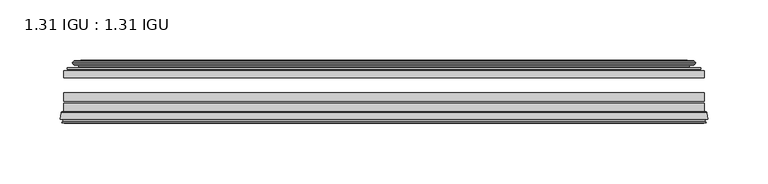
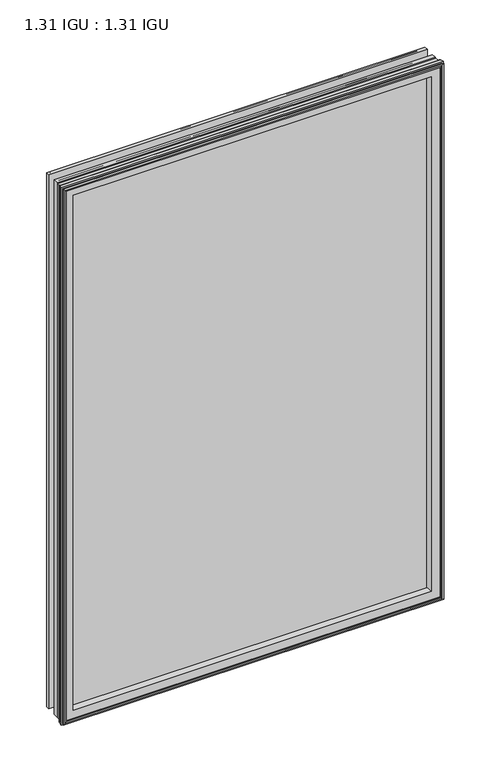
"""IFC4 building model written with IfcOpenShell, lengths in millimetres: plate geometry, 1.31 IGU : 1.31 IGU."""

from ifc_helpers import new_model, si_unit, frame, origin, place, context, project, spatial, polyline, ellipse_curve, outline, extrude, source, transform, mapped, element, save
from ifc_brep_helpers import plane_surface, cylinder_surface, revolved_surface, advanced_brep


def plate_1_31_igu_1_31_igu_04463f00(model_context):
    return source(origin(), model_context, "Body", "SolidModel", [
        extrude(outline(polyline([(265.1081075, -44.8960875), (265.1081075, -50.4332875), (-265.1130426, -50.4332875), (-265.1130426, -44.8960875), (265.1081075, -44.8960875)])), frame((0.0, 0.0, -14.2875), z_axis=(0.0, 0.0, 1.0), x_axis=(1.0, 0.0, 0.0)), (0.0, 0.0, 1.0), 790.47848),
        extrude(outline(polyline([(-265.1130426, -78.7796875), (-265.1130426, -71.7692875), (265.1081075, -71.7692875), (265.1081075, -78.7796875), (-265.1130426, -78.7796875)])), frame((0.0, 0.0, -14.2875), z_axis=(0.0, 0.0, 1.0), x_axis=(1.0, 0.0, 0.0)), (0.0, 0.0, 1.0), 790.47848),
        extrude(outline(polyline([(-265.1130426, -70.2452875), (-265.1130426, -63.1332875), (265.1081075, -63.1332875), (265.1081075, -70.2452875), (-265.1130426, -70.2452875)])), frame((0.0, 0.0, -14.2875), z_axis=(0.0, 0.0, 1.0), x_axis=(1.0, 0.0, 0.0)), (0.0, 0.0, 1.0), 790.47848),
        advanced_brep(
        [(-267.6599465, -85.1296875, 778.7378839), (-266.9651627, -79.4711276, 778.0431001), (-266.9651627, -79.4711276, -16.1396201), (-267.6599465, -85.1296875, -16.8344039), (-265.2723465, -87.1207518, 776.3502839), (-265.7295465, -85.1296875, 776.8074839), (-265.7295465, -85.1296875, -14.9040039), (-265.2723465, -87.1207518, -14.4468039), (-266.2737083, -86.8524376, 777.3516458), (-266.2737083, -86.8524376, -15.4481658), (-266.5169465, -87.7602147, 777.5948839), (-266.5169465, -87.7602147, -15.6914039), (-264.4849465, -88.3046875, 775.5628839), (-264.4849465, -88.3046875, -13.6594039), (-262.4529465, -87.7602147, 773.5308839), (-262.4529465, -87.7602147, -11.6274039), (-262.6961846, -86.8524376, 773.7741221), (-262.6961846, -86.8524376, -11.8706421), (-263.6975465, -87.1207518, 774.7754839), (-263.6975465, -87.1207518, -12.8720039), (-263.2403465, -85.1296875, 774.3182839), (-263.2403465, -85.1296875, -12.4148039), (-266.1836318, -78.7796875, 777.2615693), (-266.1836318, -78.7796875, -15.3580893), (266.9651627, -79.4711276, -16.1396201), (267.6599465, -85.1296875, -16.8344039), (265.7295465, -85.1296875, -14.9040039), (265.2723465, -87.1207518, -14.4468039), (266.2737083, -86.8524376, -15.4481658), (266.5169465, -87.7602147, -15.6914039), (264.4849465, -88.3046875, -13.6594039), (262.4529465, -87.7602147, -11.6274039), (262.6961846, -86.8524376, -11.8706421), (263.6975465, -87.1207518, -12.8720039), (263.2403465, -85.1296875, -12.4148039), (266.1836318, -78.7796875, -15.3580893), (266.9651627, -79.4711276, 778.0431001), (267.6599465, -85.1296875, 778.7378839), (265.7295465, -85.1296875, 776.8074839), (265.2723465, -87.1207518, 776.3502839), (266.2737083, -86.8524376, 777.3516458), (266.5169465, -87.7602147, 777.5948839), (264.4849465, -88.3046875, 775.5628839), (262.4529465, -87.7602147, 773.5308839), (262.6961846, -86.8524376, 773.7741221), (263.6975465, -87.1207518, 774.7754839), (263.2403465, -85.1296875, 774.3182839), (266.1836318, -78.7796875, 777.2615693), (-250.8377557, -85.1296875, 761.9156931), (250.8377557, -85.1296875, 761.9156931), (250.8377557, -85.1296875, -0.0122131), (-250.8377557, -85.1296875, -0.0122131), (-247.5214788, -78.7796875, 3.3040638), (247.5214788, -78.7796875, 3.3040638), (247.5214788, -78.7796875, 758.5994162), (-247.5214788, -78.7796875, 758.5994162)],
        [
            (0, 1),
            (1, 2),
            (2, 3),
            (3, 0),
            (4, 5),
            (5, 6),
            (6, 7),
            (7, 4),
            (8, 4),
            (7, 9),
            (9, 8),
            (10, 8),
            (9, 11),
            (11, 10),
            (12, 10),
            (11, 13),
            (13, 12),
            (14, 12),
            (13, 15),
            (15, 14),
            (16, 14),
            (15, 17),
            (17, 16),
            (18, 16),
            (17, 19),
            (19, 18),
            (20, 18),
            (19, 21),
            (21, 20),
            (1, 22, ellipse_curve(frame((-266.1836318, -79.5670875, 777.2615693), z_axis=(-0.7071067811865475, 0.0, -0.7071067811865475), x_axis=(-0.7071067811865474, 0.0, 0.7071067811865476)), 1.1135518, 0.7874)),
            (22, 23),
            (23, 2, ellipse_curve(frame((-266.1836318, -79.5670875, -15.3580893), z_axis=(-0.7071067811865475, 0.0, 0.7071067811865475), x_axis=(0.7071067811865474, 0.0, 0.7071067811865476)), 1.1135518, 0.7874)),
            (2, 24),
            (24, 25),
            (25, 3),
            (6, 26),
            (26, 27),
            (27, 7),
            (27, 28),
            (28, 9),
            (28, 29),
            (29, 11),
            (29, 30),
            (30, 13),
            (30, 31),
            (31, 15),
            (31, 32),
            (32, 17),
            (32, 33),
            (33, 19),
            (33, 34),
            (34, 21),
            (23, 35),
            (35, 24, ellipse_curve(frame((266.1836318, -79.5670875, -15.3580893), z_axis=(-0.7071067811865475, 0.0, -0.7071067811865475), x_axis=(-0.7071067811865476, 0.0, 0.7071067811865474)), 1.1135518, 0.7874)),
            (24, 36),
            (36, 37),
            (37, 25),
            (26, 38),
            (38, 39),
            (39, 27),
            (39, 40),
            (40, 28),
            (40, 41),
            (41, 29),
            (41, 42),
            (42, 30),
            (42, 43),
            (43, 31),
            (43, 44),
            (44, 32),
            (44, 45),
            (45, 33),
            (45, 46),
            (46, 34),
            (35, 47),
            (47, 36, ellipse_curve(frame((266.1836318, -79.5670875, 777.2615693), z_axis=(0.7071067811865475, 0.0, -0.7071067811865475), x_axis=(-0.7071067811865474, 0.0, -0.7071067811865476)), 1.1135518, 0.7874)),
            (36, 1),
            (0, 37),
            (5, 38),
            (4, 39),
            (8, 40),
            (10, 41),
            (12, 42),
            (14, 43),
            (16, 44),
            (18, 45),
            (20, 46),
            (48, 49),
            (49, 50),
            (50, 51),
            (51, 48),
            (22, 47),
            (52, 53),
            (53, 54),
            (54, 55),
            (55, 52),
            (55, 48, ellipse_curve(frame((-239.5884608, -86.963653, 750.6663982), z_axis=(0.7071067811865475, 0.0, 0.7071067811865475), x_axis=(0.7071067811865474, 0.0, -0.7071067811865476)), 16.118937, 11.3978097)),
            (51, 52, ellipse_curve(frame((-239.5884608, -86.963653, 11.2370818), z_axis=(0.7071067811865475, 0.0, -0.7071067811865475), x_axis=(-0.7071067811865474, 0.0, -0.7071067811865476)), 16.118937, 11.3978097)),
            (50, 53, ellipse_curve(frame((239.5884608, -86.963653, 11.2370818), z_axis=(0.7071067811865475, 0.0, 0.7071067811865475), x_axis=(0.7071067811865476, 0.0, -0.7071067811865474)), 16.118937, 11.3978097)),
            (49, 54, ellipse_curve(frame((239.5884608, -86.963653, 750.6663982), z_axis=(-0.7071067811865475, 0.0, 0.7071067811865475), x_axis=(0.7071067811865474, 0.0, 0.7071067811865476)), 16.118937, 11.3978097)),
        ],
        [
            plane_surface(frame((-266.9651627, -79.4711276, 778.0431001), z_axis=(-0.9925461516413008, 0.12186934340532067, 0.0), x_axis=(0.0, 0.0, -1.0))),
            plane_surface(frame((-265.7295465, -85.1296875, 776.8074839), z_axis=(-0.9746347637895997, -0.22380142361654332, 0.0), x_axis=(0.0, 0.0, -1.0))),
            plane_surface(frame((-265.2723465, -87.1207518, 776.3502839), z_axis=(0.25881904510266784, 0.9659258262890289, 0.0), x_axis=(0.0, 0.0, -1.0))),
            plane_surface(frame((-266.2737083, -86.8524376, 777.3516458), z_axis=(-0.9659258262890449, 0.2588190451026083, 0.0), x_axis=(0.0, 0.0, -1.0))),
            plane_surface(frame((-266.5169465, -87.7602147, 777.5948839), z_axis=(-0.2588190451025689, -0.9659258262890554, 0.0), x_axis=(0.0, 0.0, -1.0))),
            plane_surface(frame((-264.4849465, -88.3046875, 775.5628839), z_axis=(0.25881904510241466, -0.9659258262890968, 0.0), x_axis=(0.0, 0.0, -1.0))),
            plane_surface(frame((-262.4529465, -87.7602147, 773.5308839), z_axis=(0.9659258262890272, 0.25881904510267406, 0.0), x_axis=(0.0, 0.0, -1.0))),
            plane_surface(frame((-262.6961846, -86.8524376, 773.7741221), z_axis=(-0.25881904510234177, 0.9659258262891163, 0.0), x_axis=(0.0, 0.0, -1.0))),
            plane_surface(frame((-263.6975465, -87.1207518, 774.7754839), z_axis=(0.9746347637895936, -0.2238014236165695, 0.0), x_axis=(0.0, 0.0, -1.0))),
            cylinder_surface(frame((-266.1836318, -79.5670875, 793.65348), z_axis=(0.0, 0.0, 1.0), x_axis=(-1.0, 0.0, 0.0)), 0.7874),
            plane_surface(frame((-266.9651627, -79.4711276, -16.1396201), z_axis=(0.0, 0.12186934340531747, -0.9925461516413012), x_axis=(1.0, 0.0, 0.0))),
            plane_surface(frame((-265.7295465, -85.1296875, -14.9040039), z_axis=(0.0, -0.22380142361654648, -0.9746347637895989), x_axis=(1.0, 0.0, 0.0))),
            plane_surface(frame((-265.2723465, -87.1207518, -14.4468039), z_axis=(0.0, 0.9659258262890298, 0.25881904510266474), x_axis=(1.0, 0.0, 0.0))),
            plane_surface(frame((-266.2737083, -86.8524376, -15.4481658), z_axis=(0.0, 0.25881904510260517, -0.9659258262890458), x_axis=(1.0, 0.0, 0.0))),
            plane_surface(frame((-266.5169465, -87.7602147, -15.6914039), z_axis=(0.0, -0.9659258262890563, -0.2588190451025658), x_axis=(1.0, 0.0, 0.0))),
            plane_surface(frame((-264.4849465, -88.3046875, -13.6594039), z_axis=(0.0, -0.965925826289096, 0.25881904510241777), x_axis=(1.0, 0.0, 0.0))),
            plane_surface(frame((-262.4529465, -87.7602147, -11.6274039), z_axis=(0.0, 0.2588190451026772, 0.9659258262890265), x_axis=(1.0, 0.0, 0.0))),
            plane_surface(frame((-262.6961846, -86.8524376, -11.8706421), z_axis=(0.0, 0.9659258262891154, -0.2588190451023449), x_axis=(1.0, 0.0, 0.0))),
            plane_surface(frame((-263.6975465, -87.1207518, -12.8720039), z_axis=(0.0, -0.22380142361656633, 0.9746347637895943), x_axis=(1.0, 0.0, 0.0))),
            cylinder_surface(frame((-282.5755426, -79.5670875, -15.3580893), z_axis=(-1.0, 0.0, 0.0), x_axis=(0.0, 0.0, -1.0)), 0.7874),
            plane_surface(frame((266.9651627, -79.4711276, -16.1396201), z_axis=(0.9925461516413017, 0.12186934340531426, 0.0), x_axis=(0.0, 0.0, 1.0))),
            plane_surface(frame((265.7295465, -85.1296875, -14.9040039), z_axis=(0.9746347637895981, -0.22380142361654964, 0.0), x_axis=(0.0, 0.0, 1.0))),
            plane_surface(frame((265.2723465, -87.1207518, -14.4468039), z_axis=(-0.2588190451026616, 0.9659258262890307, 0.0), x_axis=(0.0, 0.0, 1.0))),
            plane_surface(frame((266.2737083, -86.8524376, -15.4481658), z_axis=(0.9659258262890467, 0.25881904510260206, 0.0), x_axis=(0.0, 0.0, 1.0))),
            plane_surface(frame((266.5169465, -87.7602147, -15.6914039), z_axis=(0.2588190451025627, -0.9659258262890572, 0.0), x_axis=(0.0, 0.0, 1.0))),
            plane_surface(frame((264.4849465, -88.3046875, -13.6594039), z_axis=(-0.2588190451024209, -0.9659258262890951, 0.0), x_axis=(0.0, 0.0, 1.0))),
            plane_surface(frame((262.4529465, -87.7602147, -11.6274039), z_axis=(-0.9659258262890256, 0.25881904510268033, 0.0), x_axis=(0.0, 0.0, 1.0))),
            plane_surface(frame((262.6961846, -86.8524376, -11.8706421), z_axis=(0.25881904510234804, 0.9659258262891146, 0.0), x_axis=(0.0, 0.0, 1.0))),
            plane_surface(frame((263.6975465, -87.1207518, -12.8720039), z_axis=(-0.9746347637895951, -0.22380142361656316, 0.0), x_axis=(0.0, 0.0, 1.0))),
            cylinder_surface(frame((266.1836318, -79.5670875, -31.75), z_axis=(0.0, 0.0, -1.0), x_axis=(1.0, 0.0, 0.0)), 0.7874),
            plane_surface(frame((266.9651627, -79.4711276, 778.0431001), z_axis=(0.0, 0.12186934340531747, 0.9925461516413012), x_axis=(-1.0, 0.0, 0.0))),
            plane_surface(frame((267.6599465, -85.1296875, 778.7378839), z_axis=(0.0, -1.0, 0.0), x_axis=(-1.0, 0.0, 0.0))),
            plane_surface(frame((265.7295465, -85.1296875, 776.8074839), z_axis=(0.0, -0.22380142361654648, 0.9746347637895989), x_axis=(-1.0, 0.0, 0.0))),
            plane_surface(frame((265.2723465, -87.1207518, 776.3502839), z_axis=(0.0, 0.9659258262890298, -0.25881904510266474), x_axis=(-1.0, 0.0, 0.0))),
            plane_surface(frame((266.2737083, -86.8524376, 777.3516458), z_axis=(0.0, 0.25881904510260517, 0.9659258262890458), x_axis=(-1.0, 0.0, 0.0))),
            plane_surface(frame((266.5169465, -87.7602147, 777.5948839), z_axis=(0.0, -0.9659258262890563, 0.2588190451025658), x_axis=(-1.0, 0.0, 0.0))),
            plane_surface(frame((264.4849465, -88.3046875, 775.5628839), z_axis=(0.0, -0.965925826289096, -0.25881904510241777), x_axis=(-1.0, 0.0, 0.0))),
            plane_surface(frame((262.4529465, -87.7602147, 773.5308839), z_axis=(0.0, 0.2588190451026772, -0.9659258262890265), x_axis=(-1.0, 0.0, 0.0))),
            plane_surface(frame((262.6961846, -86.8524376, 773.7741221), z_axis=(0.0, 0.9659258262891155, 0.25881904510234494), x_axis=(-1.0, 0.0, 0.0))),
            plane_surface(frame((263.6975465, -87.1207518, 774.7754839), z_axis=(0.0, -0.22380142361656633, -0.9746347637895943), x_axis=(-1.0, 0.0, 0.0))),
            plane_surface(frame((263.2403465, -85.1296875, 774.3182839), z_axis=(0.0, -1.0, 0.0), x_axis=(-1.0, 0.0, 0.0))),
            plane_surface(frame((247.5214788, -78.7796875, 758.5994162), z_axis=(0.0, 1.0, 0.0), x_axis=(-1.0, 0.0, 0.0))),
            cylinder_surface(frame((282.5755426, -79.5670875, 777.2615693), z_axis=(1.0, 0.0, 0.0), x_axis=(0.0, 0.0, 1.0)), 0.7874),
            revolved_surface(polyline([(-250.98627050000002, -86.963653, -0.1607278582187064), (-250.98627050000002, -86.963653, 762.0642078582188)]), (-239.5884608, -86.963653, 793.65348), (0.0, 0.0, -1.0)),
            revolved_surface(polyline([(250.9862704582187, -86.963653, -0.16072789999999948), (-250.98627045821874, -86.963653, -0.16072789999999948)]), (-282.5755426, -86.963653, 11.2370818), (1.0, 0.0, 0.0)),
            revolved_surface(polyline([(250.98627050000002, -86.963653, 762.0642078582188), (250.98627050000002, -86.963653, -0.16072785821874191)]), (239.5884608, -86.963653, -31.75), (0.0, 0.0, 1.0)),
            revolved_surface(polyline([(-250.9862704582187, -86.963653, 762.0642079), (250.98627045821874, -86.963653, 762.0642079)]), (282.5755426, -86.963653, 750.6663982), (-1.0, 0.0, 0.0)),
        ],
        [
            (0, [[1, 2, 3, 4]]),
            (1, [[5, 6, 7, 8]]),
            (2, [[9, -8, 10, 11]]),
            (3, [[12, -11, 13, 14]]),
            (4, [[15, -14, 16, 17]]),
            (5, [[18, -17, 19, 20]]),
            (6, [[21, -20, 22, 23]]),
            (7, [[24, -23, 25, 26]]),
            (8, [[27, -26, 28, 29]]),
            (9, [[30, 31, 32, -2]]),
            (10, [[-3, 33, 34, 35]]),
            (11, [[-7, 36, 37, 38]]),
            (12, [[-10, -38, 39, 40]]),
            (13, [[-13, -40, 41, 42]]),
            (14, [[-16, -42, 43, 44]]),
            (15, [[-19, -44, 45, 46]]),
            (16, [[-22, -46, 47, 48]]),
            (17, [[-25, -48, 49, 50]]),
            (18, [[-28, -50, 51, 52]]),
            (19, [[-32, 53, 54, -33]]),
            (20, [[-34, 55, 56, 57]]),
            (21, [[-37, 58, 59, 60]]),
            (22, [[-39, -60, 61, 62]]),
            (23, [[-41, -62, 63, 64]]),
            (24, [[-43, -64, 65, 66]]),
            (25, [[-45, -66, 67, 68]]),
            (26, [[-47, -68, 69, 70]]),
            (27, [[-49, -70, 71, 72]]),
            (28, [[-51, -72, 73, 74]]),
            (29, [[-54, 75, 76, -55]]),
            (30, [[-56, 77, -1, 78]]),
            (31, [[-35, -57, -78, -4], [79, -58, -36, -6]]),
            (32, [[-59, -79, -5, 80]]),
            (33, [[-61, -80, -9, 81]]),
            (34, [[-63, -81, -12, 82]]),
            (35, [[-65, -82, -15, 83]]),
            (36, [[-67, -83, -18, 84]]),
            (37, [[-69, -84, -21, 85]]),
            (38, [[-71, -85, -24, 86]]),
            (39, [[-73, -86, -27, 87]]),
            (40, [[-52, -74, -87, -29], [88, 89, 90, 91]]),
            (41, [[92, -75, -53, -31], [93, 94, 95, 96]]),
            (42, [[-76, -92, -30, -77]]),
            (43, [[97, -91, 98, -96]]),
            (44, [[-98, -90, 99, -93]]),
            (45, [[-99, -89, 100, -94]]),
            (46, [[-100, -88, -97, -95]]),
        ],
    ),
        advanced_brep(
        [(-255.767718, -37.7373382, 766.8456555), (-250.8260851, -36.3108875, 761.9040226), (-250.8260851, -36.3108875, -0.0005426), (-255.767718, -37.7373382, -4.9421755), (-255.6026127, -36.9605789, 766.6805502), (-255.6026127, -36.9605789, -4.7770702), (-256.1980984, -36.4771203, 767.2760359), (-256.1980984, -36.4771203, -5.3725559), (-257.4627342, -37.766076, 768.5406717), (-257.4627342, -37.766076, -6.6371917), (-257.4519175, -38.8797852, 768.5298549), (-257.4519175, -38.8797852, -6.6263749), (-256.1704323, -40.1361433, 767.2483697), (-256.1704323, -40.1361433, -5.3448897), (-255.5654254, -39.649943, 766.6433629), (-255.5654254, -39.649943, -4.7398829), (-256.1194397, -39.0959287, 767.1973772), (-256.1194397, -39.0959287, -5.2938972), (-253.8336313, -38.7029881, 764.9115687), (-253.8336313, -38.7029881, -3.0080887), (-252.3745582, -40.2107282, 763.4524957), (-252.3745582, -40.2107282, -1.5490157), (-252.6711401, -41.651269, 763.7490776), (-252.6711401, -41.651269, -1.8455976), (-253.4423646, -42.2798875, 764.5203021), (-253.4423646, -42.2798875, -2.6168221), (-261.7463409, -43.4871542, 772.8242784), (-261.4711395, -42.2798875, 772.5490769), (-261.4711395, -42.2798875, -10.6455969), (-261.7463409, -43.4871542, -10.9207984), (-258.2887723, -44.8960875, 769.3667097), (-258.2887723, -44.8960875, -7.4632297), (-247.1911485, -44.023302, 758.2690859), (-247.5464864, -44.8960875, 758.6244239), (-247.5464864, -44.8960875, 3.2790561), (-247.1911485, -44.023302, 3.6343941), (-247.8623465, -43.3681812, 758.940284), (-247.8623465, -43.3681812, 2.963196), (-249.5031371, -40.6686056, 760.5810746), (-249.5031371, -40.6686056, 1.3224054), (250.8260851, -36.3108875, -0.0005426), (255.767718, -37.7373382, -4.9421755), (255.6026127, -36.9605789, -4.7770702), (256.1980984, -36.4771203, -5.3725559), (257.4627342, -37.766076, -6.6371917), (257.4519175, -38.8797852, -6.6263749), (256.1704323, -40.1361433, -5.3448897), (255.5654254, -39.649943, -4.7398829), (256.1194397, -39.0959287, -5.2938972), (253.8336313, -38.7029881, -3.0080887), (252.3745582, -40.2107282, -1.5490157), (252.6711401, -41.651269, -1.8455976), (253.4423646, -42.2798875, -2.6168221), (261.4711395, -42.2798875, -10.6455969), (261.7463409, -43.4871542, -10.9207984), (258.2887723, -44.8960875, -7.4632297), (247.5464864, -44.8960875, 3.2790561), (247.1911485, -44.023302, 3.6343941), (247.8623465, -43.3681812, 2.963196), (249.5031371, -40.6686056, 1.3224054), (250.8260851, -36.3108875, 761.9040226), (255.767718, -37.7373382, 766.8456555), (255.6026127, -36.9605789, 766.6805502), (256.1980984, -36.4771203, 767.2760359), (257.4627342, -37.766076, 768.5406717), (257.4519175, -38.8797852, 768.5298549), (256.1704323, -40.1361433, 767.2483697), (255.5654254, -39.649943, 766.6433629), (256.1194397, -39.0959287, 767.1973772), (253.8336313, -38.7029881, 764.9115687), (252.3745582, -40.2107282, 763.4524957), (252.6711401, -41.651269, 763.7490776), (253.4423646, -42.2798875, 764.5203021), (261.4711395, -42.2798875, 772.5490769), (261.7463409, -43.4871542, 772.8242784), (258.2887723, -44.8960875, 769.3667097), (247.5464864, -44.8960875, 758.6244239), (247.1911485, -44.023302, 758.2690859), (247.8623465, -43.3681812, 758.940284), (249.5031371, -40.6686056, 760.5810746)],
        [
            (0, 1),
            (1, 2),
            (2, 3),
            (3, 0),
            (4, 0),
            (3, 5),
            (5, 4),
            (6, 4, ellipse_curve(frame((-255.9231297, -36.746901, 767.0010671), z_axis=(-0.7071067811865475, 0.0, -0.7071067811865475), x_axis=(-0.7071067811865474, 0.0, 0.7071067811865476)), 0.5447741, 0.3852135)),
            (5, 7, ellipse_curve(frame((-255.9231297, -36.746901, -5.0975871), z_axis=(-0.7071067811865475, 0.0, 0.7071067811865475), x_axis=(0.7071067811865474, 0.0, 0.7071067811865476)), 0.5447741, 0.3852135)),
            (7, 6),
            (8, 6),
            (7, 9),
            (9, 8),
            (10, 8, ellipse_curve(frame((-256.9006812, -38.3175243, 767.9786187), z_axis=(-0.7071067811865475, 0.0, -0.7071067811865475), x_axis=(-0.7071067811865474, 0.0, 0.7071067811865476)), 1.1135518, 0.7874)),
            (9, 11, ellipse_curve(frame((-256.9006812, -38.3175243, -6.0751387), z_axis=(-0.7071067811865475, 0.0, 0.7071067811865475), x_axis=(0.7071067811865474, 0.0, 0.7071067811865476)), 1.1135518, 0.7874)),
            (11, 10),
            (12, 10),
            (11, 13),
            (13, 12),
            (14, 12, ellipse_curve(frame((-255.8968348, -39.8570738, 766.9747722), z_axis=(-0.7071067811865475, 0.0, -0.7071067811865475), x_axis=(-0.7071067811865474, 0.0, 0.7071067811865476)), 0.552694, 0.3908137)),
            (13, 15, ellipse_curve(frame((-255.8968348, -39.8570738, -5.0712922), z_axis=(-0.7071067811865475, 0.0, 0.7071067811865475), x_axis=(0.7071067811865474, 0.0, 0.7071067811865476)), 0.552694, 0.3908137)),
            (15, 14),
            (16, 14),
            (15, 17),
            (17, 16),
            (18, 16),
            (17, 19),
            (19, 18),
            (20, 18, ellipse_curve(frame((-253.6184687, -39.954629, 764.6964061), z_axis=(0.7071067811865475, 0.0, 0.7071067811865475), x_axis=(0.7071067811865474, 0.0, -0.7071067811865476)), 1.7960512, 1.27)),
            (19, 21, ellipse_curve(frame((-253.6184687, -39.954629, -2.7929261), z_axis=(0.7071067811865475, 0.0, -0.7071067811865475), x_axis=(-0.7071067811865474, 0.0, -0.7071067811865476)), 1.7960512, 1.27)),
            (21, 20),
            (22, 20),
            (21, 23),
            (23, 22),
            (24, 22, ellipse_curve(frame((-253.4423646, -41.4924875, 764.5203021), z_axis=(0.7071067811865475, 0.0, 0.7071067811865475), x_axis=(0.7071067811865474, 0.0, -0.7071067811865476)), 1.1135518, 0.7874)),
            (23, 25, ellipse_curve(frame((-253.4423646, -41.4924875, -2.6168221), z_axis=(0.7071067811865475, 0.0, -0.7071067811865475), x_axis=(-0.7071067811865474, 0.0, -0.7071067811865476)), 1.1135518, 0.7874)),
            (25, 24),
            (26, 27, ellipse_curve(frame((-261.4711395, -42.9148875, 772.5490769), z_axis=(-0.7071067811865475, 0.0, -0.7071067811865475), x_axis=(-0.7071067811865474, 0.0, 0.7071067811865476)), 0.8980256, 0.635)),
            (27, 28),
            (28, 29, ellipse_curve(frame((-261.4711395, -42.9148875, -10.6455969), z_axis=(-0.7071067811865475, 0.0, 0.7071067811865475), x_axis=(0.7071067811865474, 0.0, 0.7071067811865476)), 0.8980256, 0.635)),
            (29, 26),
            (30, 26),
            (29, 31),
            (31, 30),
            (32, 33, ellipse_curve(frame((-247.5464864, -44.3873602, 758.6244239), z_axis=(-0.7071067811865475, 0.0, -0.7071067811865475), x_axis=(-0.7071067811865474, 0.0, 0.7071067811865476)), 0.719449, 0.5087273)),
            (33, 34),
            (34, 35, ellipse_curve(frame((-247.5464864, -44.3873602, 3.2790561), z_axis=(-0.7071067811865475, 0.0, 0.7071067811865475), x_axis=(0.7071067811865474, 0.0, 0.7071067811865476)), 0.719449, 0.5087273)),
            (35, 32),
            (36, 32),
            (35, 37),
            (37, 36),
            (38, 36, ellipse_curve(frame((-243.4269723, -38.823959, 754.5049098), z_axis=(0.7071067811865475, 0.0, 0.7071067811865475), x_axis=(0.7071067811865474, 0.0, -0.7071067811865476)), 8.9802561, 6.35)),
            (37, 39, ellipse_curve(frame((-243.4269723, -38.823959, 7.3985702), z_axis=(0.7071067811865475, 0.0, -0.7071067811865475), x_axis=(-0.7071067811865474, 0.0, -0.7071067811865476)), 8.9802561, 6.35)),
            (39, 38),
            (1, 38),
            (39, 2),
            (2, 40),
            (40, 41),
            (41, 3),
            (41, 42),
            (42, 5),
            (42, 43, ellipse_curve(frame((255.9231297, -36.746901, -5.0975871), z_axis=(-0.7071067811865475, 0.0, -0.7071067811865475), x_axis=(-0.7071067811865476, 0.0, 0.7071067811865474)), 0.5447741, 0.3852135)),
            (43, 7),
            (43, 44),
            (44, 9),
            (44, 45, ellipse_curve(frame((256.9006812, -38.3175243, -6.0751387), z_axis=(-0.7071067811865475, 0.0, -0.7071067811865475), x_axis=(-0.7071067811865476, 0.0, 0.7071067811865474)), 1.1135518, 0.7874)),
            (45, 11),
            (45, 46),
            (46, 13),
            (46, 47, ellipse_curve(frame((255.8968348, -39.8570738, -5.0712922), z_axis=(-0.7071067811865475, 0.0, -0.7071067811865475), x_axis=(-0.7071067811865476, 0.0, 0.7071067811865474)), 0.552694, 0.3908137)),
            (47, 15),
            (47, 48),
            (48, 17),
            (48, 49),
            (49, 19),
            (49, 50, ellipse_curve(frame((253.6184687, -39.954629, -2.7929261), z_axis=(0.7071067811865475, 0.0, 0.7071067811865475), x_axis=(0.7071067811865476, 0.0, -0.7071067811865474)), 1.7960512, 1.27)),
            (50, 21),
            (50, 51),
            (51, 23),
            (51, 52, ellipse_curve(frame((253.4423646, -41.4924875, -2.6168221), z_axis=(0.7071067811865475, 0.0, 0.7071067811865475), x_axis=(0.7071067811865476, 0.0, -0.7071067811865474)), 1.1135518, 0.7874)),
            (52, 25),
            (28, 53),
            (53, 54, ellipse_curve(frame((261.4711395, -42.9148875, -10.6455969), z_axis=(-0.7071067811865475, 0.0, -0.7071067811865475), x_axis=(-0.7071067811865476, 0.0, 0.7071067811865474)), 0.8980256, 0.635)),
            (54, 29),
            (54, 55),
            (55, 31),
            (34, 56),
            (56, 57, ellipse_curve(frame((247.5464864, -44.3873602, 3.2790561), z_axis=(-0.7071067811865475, 0.0, -0.7071067811865475), x_axis=(-0.7071067811865476, 0.0, 0.7071067811865474)), 0.719449, 0.5087273)),
            (57, 35),
            (57, 58),
            (58, 37),
            (58, 59, ellipse_curve(frame((243.4269723, -38.823959, 7.3985702), z_axis=(0.7071067811865475, 0.0, 0.7071067811865475), x_axis=(0.7071067811865476, 0.0, -0.7071067811865474)), 8.9802561, 6.35)),
            (59, 39),
            (59, 40),
            (40, 60),
            (60, 61),
            (61, 41),
            (61, 62),
            (62, 42),
            (62, 63, ellipse_curve(frame((255.9231297, -36.746901, 767.0010671), z_axis=(0.7071067811865475, 0.0, -0.7071067811865475), x_axis=(-0.7071067811865474, 0.0, -0.7071067811865476)), 0.5447741, 0.3852135)),
            (63, 43),
            (63, 64),
            (64, 44),
            (64, 65, ellipse_curve(frame((256.9006812, -38.3175243, 767.9786187), z_axis=(0.7071067811865475, 0.0, -0.7071067811865475), x_axis=(-0.7071067811865474, 0.0, -0.7071067811865476)), 1.1135518, 0.7874)),
            (65, 45),
            (65, 66),
            (66, 46),
            (66, 67, ellipse_curve(frame((255.8968348, -39.8570738, 766.9747722), z_axis=(0.7071067811865475, 0.0, -0.7071067811865475), x_axis=(-0.7071067811865474, 0.0, -0.7071067811865476)), 0.552694, 0.3908137)),
            (67, 47),
            (67, 68),
            (68, 48),
            (68, 69),
            (69, 49),
            (69, 70, ellipse_curve(frame((253.6184687, -39.954629, 764.6964061), z_axis=(-0.7071067811865475, 0.0, 0.7071067811865475), x_axis=(0.7071067811865474, 0.0, 0.7071067811865476)), 1.7960512, 1.27)),
            (70, 50),
            (70, 71),
            (71, 51),
            (71, 72, ellipse_curve(frame((253.4423646, -41.4924875, 764.5203021), z_axis=(-0.7071067811865475, 0.0, 0.7071067811865475), x_axis=(0.7071067811865474, 0.0, 0.7071067811865476)), 1.1135518, 0.7874)),
            (72, 52),
            (53, 73),
            (73, 74, ellipse_curve(frame((261.4711395, -42.9148875, 772.5490769), z_axis=(0.7071067811865475, 0.0, -0.7071067811865475), x_axis=(-0.7071067811865474, 0.0, -0.7071067811865476)), 0.8980256, 0.635)),
            (74, 54),
            (74, 75),
            (75, 55),
            (56, 76),
            (76, 77, ellipse_curve(frame((247.5464864, -44.3873602, 758.6244239), z_axis=(0.7071067811865475, 0.0, -0.7071067811865475), x_axis=(-0.7071067811865474, 0.0, -0.7071067811865476)), 0.719449, 0.5087273)),
            (77, 57),
            (77, 78),
            (78, 58),
            (78, 79, ellipse_curve(frame((243.4269723, -38.823959, 754.5049098), z_axis=(-0.7071067811865475, 0.0, 0.7071067811865475), x_axis=(0.7071067811865474, 0.0, 0.7071067811865476)), 8.9802561, 6.35)),
            (79, 59),
            (79, 60),
            (60, 1),
            (0, 61),
            (4, 62),
            (6, 63),
            (8, 64),
            (10, 65),
            (12, 66),
            (14, 67),
            (16, 68),
            (18, 69),
            (20, 70),
            (22, 71),
            (24, 72),
            (27, 73),
            (26, 74),
            (30, 75),
            (33, 76),
            (32, 77),
            (36, 78),
            (38, 79),
        ],
        [
            plane_surface(frame((-250.8260851, -36.3108875, 761.9040226), z_axis=(-0.27733649284928463, 0.9607728502273879, 0.0), x_axis=(0.0, 0.0, -1.0))),
            plane_surface(frame((-255.767718, -37.7373382, 766.8456555), z_axis=(0.9781476007338358, -0.2079116908176177, 0.0), x_axis=(0.0, 0.0, -1.0))),
            cylinder_surface(frame((-255.9231297, -36.746901, 793.65348), z_axis=(0.0, 0.0, 1.0), x_axis=(-1.0, 0.0, 0.0)), 0.3852135),
            plane_surface(frame((-256.1980984, -36.4771203, 767.2760359), z_axis=(-0.7138087599382162, 0.7003406701280928, 0.0), x_axis=(0.0, 0.0, -1.0))),
            cylinder_surface(frame((-256.9006812, -38.3175243, 793.65348), z_axis=(0.0, 0.0, 1.0), x_axis=(-1.0, 0.0, 0.0)), 0.7874),
            plane_surface(frame((-257.4519175, -38.8797852, 768.5298549), z_axis=(-0.7000714109283732, -0.7140728391423082, 0.0), x_axis=(0.0, 0.0, -1.0))),
            cylinder_surface(frame((-255.8968348, -39.8570738, 793.65348), z_axis=(0.0, 0.0, 1.0), x_axis=(-1.0, 0.0, 0.0)), 0.3908137),
            plane_surface(frame((-255.5654254, -39.649943, 766.6433629), z_axis=(0.7071067811861126, 0.7071067811869826, 0.0), x_axis=(0.0, 0.0, -1.0))),
            plane_surface(frame((-256.1194397, -39.0959287, 767.1973772), z_axis=(0.16941940671011482, -0.9855440449974789, 0.0), x_axis=(0.0, 0.0, -1.0))),
            revolved_surface(polyline([(-254.8884687, -39.954629, -4.0629260828783345), (-254.8884687, -39.954629, 765.9664060828783)]), (-253.6184687, -39.954629, 793.65348), (0.0, 0.0, -1.0)),
            plane_surface(frame((-252.3745582, -40.2107282, 763.4524957), z_axis=(-0.9794570432566897, 0.201652920670302, 0.0), x_axis=(0.0, 0.0, -1.0))),
            revolved_surface(polyline([(-254.22976459999998, -41.4924875, -3.4042221289824965), (-254.22976459999998, -41.4924875, 765.3077021289824)]), (-253.4423646, -41.4924875, 793.65348), (0.0, 0.0, -1.0)),
            cylinder_surface(frame((-261.4711395, -42.9148875, 793.65348), z_axis=(0.0, 0.0, 1.0), x_axis=(-1.0, 0.0, 0.0)), 0.635),
            plane_surface(frame((-261.7463409, -43.4871542, 772.8242784), z_axis=(-0.37736447542757934, -0.9260648209954139, 0.0), x_axis=(0.0, 0.0, -1.0))),
            cylinder_surface(frame((-247.5464864, -44.3873602, 793.65348), z_axis=(0.0, 0.0, 1.0), x_axis=(-1.0, 0.0, 0.0)), 0.5087273),
            plane_surface(frame((-247.1911485, -44.023302, 758.2690859), z_axis=(0.698484125849927, 0.7156255486884628, 0.0), x_axis=(0.0, 0.0, -1.0))),
            revolved_surface(polyline([(-249.77697229999998, -38.823959, 1.0485702148981773), (-249.77697229999998, -38.823959, 760.8549097851018)]), (-243.4269723, -38.823959, 793.65348), (0.0, 0.0, -1.0)),
            plane_surface(frame((-249.5031371, -40.6686056, 760.5810746), z_axis=(0.9568763473517009, 0.2904955350411895, 0.0), x_axis=(0.0, 0.0, -1.0))),
            plane_surface(frame((-250.8260851, -36.3108875, -0.0005426), z_axis=(0.0, 0.960772850227387, -0.27733649284928774), x_axis=(1.0, 0.0, 0.0))),
            plane_surface(frame((-255.767718, -37.7373382, -4.9421755), z_axis=(0.0, -0.20791169081761454, 0.9781476007338364), x_axis=(1.0, 0.0, 0.0))),
            cylinder_surface(frame((-282.5755426, -36.746901, -5.0975871), z_axis=(-1.0, 0.0, 0.0), x_axis=(0.0, 0.0, -1.0)), 0.3852135),
            plane_surface(frame((-256.1980984, -36.4771203, -5.3725559), z_axis=(0.0, 0.7003406701280904, -0.7138087599382185), x_axis=(1.0, 0.0, 0.0))),
            cylinder_surface(frame((-282.5755426, -38.3175243, -6.0751387), z_axis=(-1.0, 0.0, 0.0), x_axis=(0.0, 0.0, -1.0)), 0.7874),
            plane_surface(frame((-257.4519175, -38.8797852, -6.6263749), z_axis=(0.0, -0.7140728391423105, -0.7000714109283709), x_axis=(1.0, 0.0, 0.0))),
            cylinder_surface(frame((-282.5755426, -39.8570738, -5.0712922), z_axis=(-1.0, 0.0, 0.0), x_axis=(0.0, 0.0, -1.0)), 0.3908137),
            plane_surface(frame((-255.5654254, -39.649943, -4.7398829), z_axis=(0.0, 0.7071067811869849, 0.7071067811861103), x_axis=(1.0, 0.0, 0.0))),
            plane_surface(frame((-256.1194397, -39.0959287, -5.2938972), z_axis=(0.0, -0.9855440449974784, 0.16941940671011801), x_axis=(1.0, 0.0, 0.0))),
            revolved_surface(polyline([(254.88846868287834, -39.954629, -4.0629261), (-254.88846868287823, -39.954629, -4.0629261)]), (-282.5755426, -39.954629, -2.7929261), (1.0, 0.0, 0.0)),
            plane_surface(frame((-252.3745582, -40.2107282, -1.5490157), z_axis=(0.0, 0.20165292067029883, -0.9794570432566904), x_axis=(1.0, 0.0, 0.0))),
            revolved_surface(polyline([(254.22976462898242, -41.4924875, -3.4042220999999997), (-254.22976462898248, -41.4924875, -3.4042220999999997)]), (-282.5755426, -41.4924875, -2.6168221), (1.0, 0.0, 0.0)),
            cylinder_surface(frame((-282.5755426, -42.9148875, -10.6455969), z_axis=(-1.0, 0.0, 0.0), x_axis=(0.0, 0.0, -1.0)), 0.635),
            plane_surface(frame((-261.7463409, -43.4871542, -10.9207984), z_axis=(0.0, -0.9260648209954151, -0.37736447542757634), x_axis=(1.0, 0.0, 0.0))),
            cylinder_surface(frame((-282.5755426, -44.3873602, 3.2790561), z_axis=(-1.0, 0.0, 0.0), x_axis=(0.0, 0.0, -1.0)), 0.5087273),
            plane_surface(frame((-247.1911485, -44.023302, 3.6343941), z_axis=(0.0, 0.7156255486884651, 0.6984841258499247), x_axis=(1.0, 0.0, 0.0))),
            revolved_surface(polyline([(249.77697228510186, -38.823959, 1.0485702000000003), (-249.77697228510186, -38.823959, 1.0485702000000003)]), (-282.5755426, -38.823959, 7.3985702), (1.0, 0.0, 0.0)),
            plane_surface(frame((-249.5031371, -40.6686056, 1.3224054), z_axis=(0.0, 0.29049553504119263, 0.9568763473517), x_axis=(1.0, 0.0, 0.0))),
            plane_surface(frame((250.8260851, -36.3108875, -0.0005426), z_axis=(0.27733649284929085, 0.9607728502273861, 0.0), x_axis=(0.0, 0.0, 1.0))),
            plane_surface(frame((255.767718, -37.7373382, -4.9421755), z_axis=(-0.9781476007338371, -0.20791169081761138, 0.0), x_axis=(0.0, 0.0, 1.0))),
            cylinder_surface(frame((255.9231297, -36.746901, -31.75), z_axis=(0.0, 0.0, -1.0), x_axis=(1.0, 0.0, 0.0)), 0.3852135),
            plane_surface(frame((256.1980984, -36.4771203, -5.3725559), z_axis=(0.7138087599382208, 0.7003406701280882, 0.0), x_axis=(0.0, 0.0, 1.0))),
            cylinder_surface(frame((256.9006812, -38.3175243, -31.75), z_axis=(0.0, 0.0, -1.0), x_axis=(1.0, 0.0, 0.0)), 0.7874),
            plane_surface(frame((257.4519175, -38.8797852, -6.6263749), z_axis=(0.7000714109283687, -0.7140728391423128, 0.0), x_axis=(0.0, 0.0, 1.0))),
            cylinder_surface(frame((255.8968348, -39.8570738, -31.75), z_axis=(0.0, 0.0, -1.0), x_axis=(1.0, 0.0, 0.0)), 0.3908137),
            plane_surface(frame((255.5654254, -39.649943, -4.7398829), z_axis=(-0.7071067811861079, 0.7071067811869872, 0.0), x_axis=(0.0, 0.0, 1.0))),
            plane_surface(frame((256.1194397, -39.0959287, -5.2938972), z_axis=(-0.1694194067101212, -0.9855440449974778, 0.0), x_axis=(0.0, 0.0, 1.0))),
            revolved_surface(polyline([(254.8884687, -39.954629, 765.9664060828783), (254.8884687, -39.954629, -4.062926082878235)]), (253.6184687, -39.954629, -31.75), (0.0, 0.0, 1.0)),
            plane_surface(frame((252.3745582, -40.2107282, -1.5490157), z_axis=(0.979457043256691, 0.20165292067029567, 0.0), x_axis=(0.0, 0.0, 1.0))),
            revolved_surface(polyline([(254.22976459999998, -41.4924875, 765.3077021289824), (254.22976459999998, -41.4924875, -3.404222128982486)]), (253.4423646, -41.4924875, -31.75), (0.0, 0.0, 1.0)),
            cylinder_surface(frame((261.4711395, -42.9148875, -31.75), z_axis=(0.0, 0.0, -1.0), x_axis=(1.0, 0.0, 0.0)), 0.635),
            plane_surface(frame((261.7463409, -43.4871542, -10.9207984), z_axis=(0.37736447542757334, -0.9260648209954163, 0.0), x_axis=(0.0, 0.0, 1.0))),
            cylinder_surface(frame((247.5464864, -44.3873602, -31.75), z_axis=(0.0, 0.0, -1.0), x_axis=(1.0, 0.0, 0.0)), 0.5087273),
            plane_surface(frame((247.1911485, -44.023302, 3.6343941), z_axis=(-0.6984841258499224, 0.7156255486884673, 0.0), x_axis=(0.0, 0.0, 1.0))),
            revolved_surface(polyline([(249.77697229999998, -38.823959, 760.8549097851018), (249.77697229999998, -38.823959, 1.0485702148981417)]), (243.4269723, -38.823959, -31.75), (0.0, 0.0, 1.0)),
            plane_surface(frame((249.5031371, -40.6686056, 1.3224054), z_axis=(-0.9568763473516991, 0.29049553504119574, 0.0), x_axis=(0.0, 0.0, 1.0))),
            plane_surface(frame((250.8260851, -36.3108875, 761.9040226), z_axis=(0.0, 0.960772850227387, 0.27733649284928774), x_axis=(-1.0, 0.0, 0.0))),
            plane_surface(frame((255.767718, -37.7373382, 766.8456555), z_axis=(0.0, -0.20791169081761454, -0.9781476007338364), x_axis=(-1.0, 0.0, 0.0))),
            cylinder_surface(frame((282.5755426, -36.746901, 767.0010671), z_axis=(1.0, 0.0, 0.0), x_axis=(0.0, 0.0, 1.0)), 0.3852135),
            plane_surface(frame((256.1980984, -36.4771203, 767.2760359), z_axis=(0.0, 0.7003406701280904, 0.7138087599382185), x_axis=(-1.0, 0.0, 0.0))),
            cylinder_surface(frame((282.5755426, -38.3175243, 767.9786187), z_axis=(1.0, 0.0, 0.0), x_axis=(0.0, 0.0, 1.0)), 0.7874),
            plane_surface(frame((257.4519175, -38.8797852, 768.5298549), z_axis=(0.0, -0.7140728391423106, 0.700071410928371), x_axis=(-1.0, 0.0, 0.0))),
            cylinder_surface(frame((282.5755426, -39.8570738, 766.9747722), z_axis=(1.0, 0.0, 0.0), x_axis=(0.0, 0.0, 1.0)), 0.3908137),
            plane_surface(frame((255.5654254, -39.649943, 766.6433629), z_axis=(0.0, 0.7071067811869849, -0.7071067811861103), x_axis=(-1.0, 0.0, 0.0))),
            plane_surface(frame((256.1194397, -39.0959287, 767.1973772), z_axis=(0.0, -0.9855440449974784, -0.16941940671011801), x_axis=(-1.0, 0.0, 0.0))),
            revolved_surface(polyline([(-254.88846868287834, -39.954629, 765.9664061), (254.88846868287823, -39.954629, 765.9664061)]), (282.5755426, -39.954629, 764.6964061), (-1.0, 0.0, 0.0)),
            plane_surface(frame((252.3745582, -40.2107282, 763.4524957), z_axis=(0.0, 0.20165292067029883, 0.9794570432566904), x_axis=(-1.0, 0.0, 0.0))),
            revolved_surface(polyline([(-254.22976462898242, -41.4924875, 765.3077021), (254.22976462898248, -41.4924875, 765.3077021)]), (282.5755426, -41.4924875, 764.5203021), (-1.0, 0.0, 0.0)),
            plane_surface(frame((253.4423646, -42.2798875, 764.5203021), z_axis=(0.0, 1.0, 0.0), x_axis=(-1.0, 0.0, 0.0))),
            cylinder_surface(frame((282.5755426, -42.9148875, 772.5490769), z_axis=(1.0, 0.0, 0.0), x_axis=(0.0, 0.0, 1.0)), 0.635),
            plane_surface(frame((261.7463409, -43.4871542, 772.8242784), z_axis=(0.0, -0.9260648209954151, 0.37736447542757634), x_axis=(-1.0, 0.0, 0.0))),
            plane_surface(frame((258.2887723, -44.8960875, 769.3667097), z_axis=(0.0, -1.0, 0.0), x_axis=(-1.0, 0.0, 0.0))),
            cylinder_surface(frame((282.5755426, -44.3873602, 758.6244239), z_axis=(1.0, 0.0, 0.0), x_axis=(0.0, 0.0, 1.0)), 0.5087273),
            plane_surface(frame((247.1911485, -44.023302, 758.2690859), z_axis=(0.0, 0.7156255486884651, -0.6984841258499247), x_axis=(-1.0, 0.0, 0.0))),
            revolved_surface(polyline([(-249.77697228510186, -38.823959, 760.8549098), (249.77697228510186, -38.823959, 760.8549098)]), (282.5755426, -38.823959, 754.5049098), (-1.0, 0.0, 0.0)),
            plane_surface(frame((249.5031371, -40.6686056, 760.5810746), z_axis=(0.0, 0.29049553504119263, -0.9568763473517), x_axis=(-1.0, 0.0, 0.0))),
        ],
        [
            (0, [[1, 2, 3, 4]]),
            (1, [[5, -4, 6, 7]]),
            (2, [[8, -7, 9, 10]]),
            (3, [[11, -10, 12, 13]]),
            (4, [[14, -13, 15, 16]]),
            (5, [[17, -16, 18, 19]]),
            (6, [[20, -19, 21, 22]]),
            (7, [[23, -22, 24, 25]]),
            (8, [[26, -25, 27, 28]]),
            (9, [[29, -28, 30, 31]]),
            (10, [[32, -31, 33, 34]]),
            (11, [[35, -34, 36, 37]]),
            (12, [[38, 39, 40, 41]]),
            (13, [[42, -41, 43, 44]]),
            (14, [[45, 46, 47, 48]]),
            (15, [[49, -48, 50, 51]]),
            (16, [[52, -51, 53, 54]]),
            (17, [[55, -54, 56, -2]]),
            (18, [[-3, 57, 58, 59]]),
            (19, [[-6, -59, 60, 61]]),
            (20, [[-9, -61, 62, 63]]),
            (21, [[-12, -63, 64, 65]]),
            (22, [[-15, -65, 66, 67]]),
            (23, [[-18, -67, 68, 69]]),
            (24, [[-21, -69, 70, 71]]),
            (25, [[-24, -71, 72, 73]]),
            (26, [[-27, -73, 74, 75]]),
            (27, [[-30, -75, 76, 77]]),
            (28, [[-33, -77, 78, 79]]),
            (29, [[-36, -79, 80, 81]]),
            (30, [[-40, 82, 83, 84]]),
            (31, [[-43, -84, 85, 86]]),
            (32, [[-47, 87, 88, 89]]),
            (33, [[-50, -89, 90, 91]]),
            (34, [[-53, -91, 92, 93]]),
            (35, [[-56, -93, 94, -57]]),
            (36, [[-58, 95, 96, 97]]),
            (37, [[-60, -97, 98, 99]]),
            (38, [[-62, -99, 100, 101]]),
            (39, [[-64, -101, 102, 103]]),
            (40, [[-66, -103, 104, 105]]),
            (41, [[-68, -105, 106, 107]]),
            (42, [[-70, -107, 108, 109]]),
            (43, [[-72, -109, 110, 111]]),
            (44, [[-74, -111, 112, 113]]),
            (45, [[-76, -113, 114, 115]]),
            (46, [[-78, -115, 116, 117]]),
            (47, [[-80, -117, 118, 119]]),
            (48, [[-83, 120, 121, 122]]),
            (49, [[-85, -122, 123, 124]]),
            (50, [[-88, 125, 126, 127]]),
            (51, [[-90, -127, 128, 129]]),
            (52, [[-92, -129, 130, 131]]),
            (53, [[-94, -131, 132, -95]]),
            (54, [[-96, 133, -1, 134]]),
            (55, [[-98, -134, -5, 135]]),
            (56, [[-100, -135, -8, 136]]),
            (57, [[-102, -136, -11, 137]]),
            (58, [[-104, -137, -14, 138]]),
            (59, [[-106, -138, -17, 139]]),
            (60, [[-108, -139, -20, 140]]),
            (61, [[-110, -140, -23, 141]]),
            (62, [[-112, -141, -26, 142]]),
            (63, [[-114, -142, -29, 143]]),
            (64, [[-116, -143, -32, 144]]),
            (65, [[-118, -144, -35, 145]]),
            (66, [[146, -120, -82, -39], [-81, -119, -145, -37]]),
            (67, [[-121, -146, -38, 147]]),
            (68, [[-123, -147, -42, 148]]),
            (69, [[-86, -124, -148, -44], [149, -125, -87, -46]]),
            (70, [[-126, -149, -45, 150]]),
            (71, [[-128, -150, -49, 151]]),
            (72, [[-130, -151, -52, 152]]),
            (73, [[-132, -152, -55, -133]]),
        ],
    ),
    ])


if __name__ == "__main__":
    model = new_model("IFC4")
    model_context = context("Model", 3, world=origin())
    ifc_project = project(units=[si_unit("LENGTHUNIT", "METRE", prefix="MILLI")], contexts=[model_context])
    site = spatial("IfcSite", under=ifc_project)
    building = spatial("IfcBuilding", under=site)
    placement = place(None, origin())
    plate_1_31_igu_1_31_igu_shape = plate_1_31_igu_1_31_igu_04463f00(model_context)
    element("IfcPlate", 1, ObjectType="1.31 IGU : 1.31 IGU", at=placement, inside=building, context=model_context, shape_type="MappedRepresentation", body=[
        mapped(plate_1_31_igu_1_31_igu_shape, transform((0.0, 0.0, 0.0), x_axis=(1.0, 0.0, 0.0), y_axis=(0.0, 1.0, 0.0), z_axis=(0.0, 0.0, 1.0))),
    ])
    save(model, "model.ifc")
